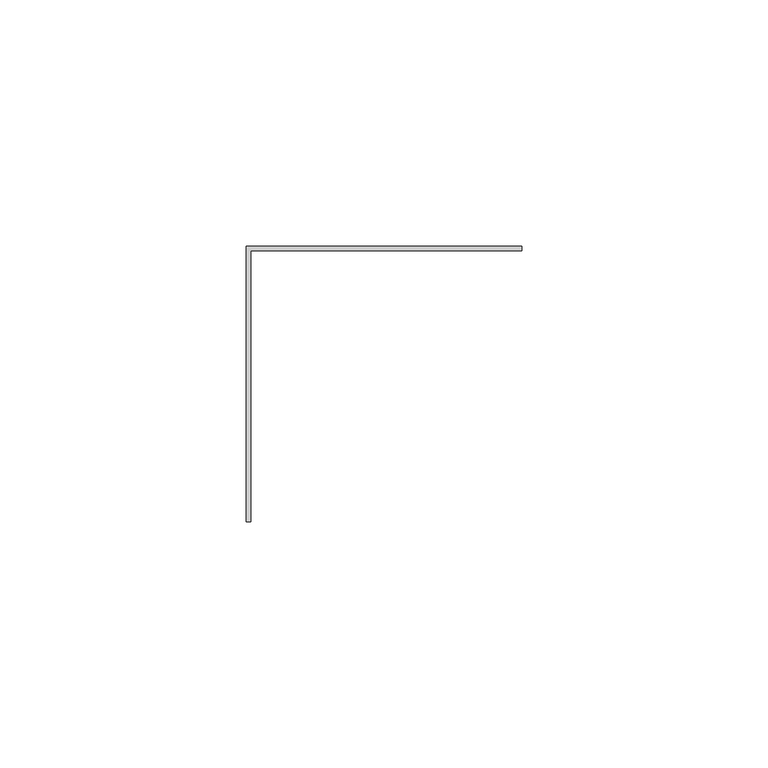
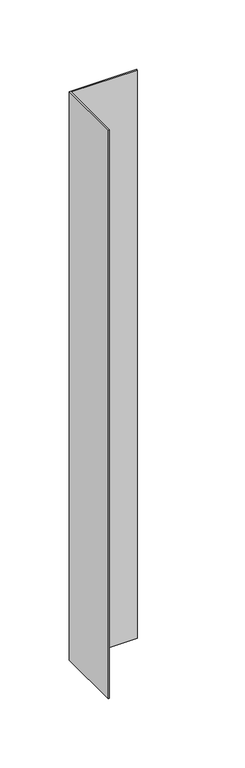
"""IFC4 building model written with IfcOpenShell, lengths in millimetres: proxy geometry."""

from ifc_helpers import new_model, si_unit, origin, origin_with_axes, place, context, project, spatial, polyline, outline, extrude, source, transform, mapped, element, save


def generic_models_8a34ef77(model_context):
    return source(origin(), model_context, "Body", "SweptSolid", [
        extrude(outline(polyline([(134.0, 91.0), (190.0, 91.0), (190.0, 90.0), (135.0, 90.0), (135.0, 35.0), (134.0, 35.0), (134.0, 91.0)])), origin_with_axes(), (0.0, 0.0, 1.0), 500.0),
    ])


if __name__ == "__main__":
    model = new_model("IFC4")
    model_context = context("Model", 3, world=origin())
    ifc_project = project(units=[si_unit("LENGTHUNIT", "METRE", prefix="MILLI")], contexts=[model_context])
    site = spatial("IfcSite", under=ifc_project)
    building = spatial("IfcBuilding", under=site)
    placement = place(None, origin())
    generic_models_shape = generic_models_8a34ef77(model_context)
    element("IfcBuildingElementProxy", 1, Name="Generic Models", at=placement, inside=building, context=model_context, shape_type="MappedRepresentation", body=[
        mapped(generic_models_shape, transform((0.0, 0.0, 0.0), x_axis=(1.0, 0.0, 0.0), y_axis=(0.0, 1.0, 0.0), z_axis=(0.0, 0.0, 1.0))),
    ])
    save(model, "model.ifc")
